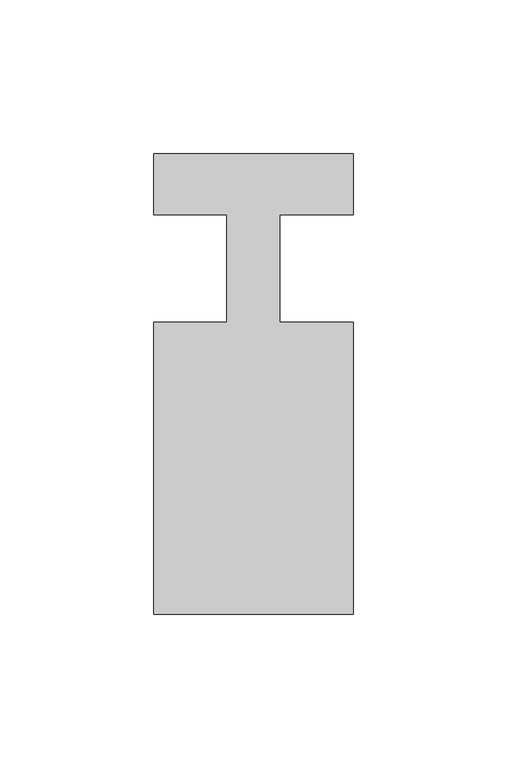
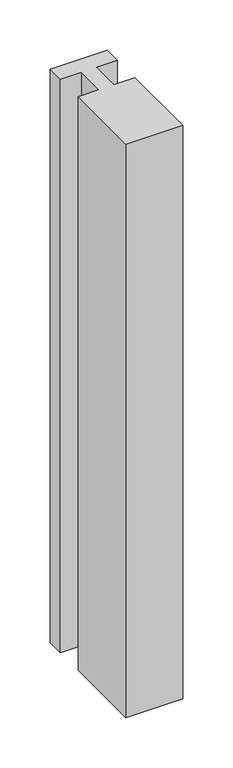
"""IFC4 building model written with IfcOpenShell, lengths in millimetres: member geometry."""

from ifc_helpers import new_model, si_unit, frame, origin, place, context, project, spatial, polyline, outline, extrude, source, transform, mapped, element, save


def member_60e803ac(model_context):
    return source(origin(), model_context, "Body", "SweptSolid", [
        extrude(outline(polyline([(-32.5, 37.0), (32.5, 37.0), (32.5, 17.0), (8.6875, 17.0), (8.6875, -18.0), (32.5, -18.0), (32.5, -113.0), (-32.5, -113.0), (-32.5, -18.0), (-8.6875, -18.0), (-8.6875, 17.0), (-32.5, 17.0), (-32.5, 37.0)])), frame((0.0, 0.0, -695.0), z_axis=(0.0, 0.0, 1.0), x_axis=(1.0, 0.0, 0.0)), (0.0, 0.0, 1.0), 695.0),
    ])


if __name__ == "__main__":
    model = new_model("IFC4")
    model_context = context("Model", 3, world=origin())
    ifc_project = project(units=[si_unit("LENGTHUNIT", "METRE", prefix="MILLI")], contexts=[model_context])
    site = spatial("IfcSite", under=ifc_project)
    building = spatial("IfcBuilding", under=site)
    placement = place(None, origin())
    member_shape = member_60e803ac(model_context)
    element("IfcMember", 1, at=placement, inside=building, context=model_context, shape_type="MappedRepresentation", body=[
        mapped(member_shape, transform((0.0, 0.0, 0.0), x_axis=(1.0, 0.0, 0.0), y_axis=(0.0, 1.0, 0.0), z_axis=(0.0, 0.0, 1.0))),
    ])
    save(model, "model.ifc")
